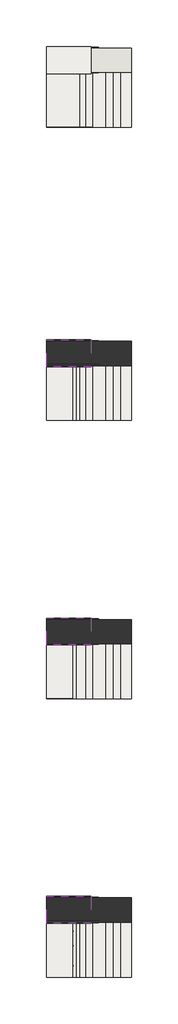
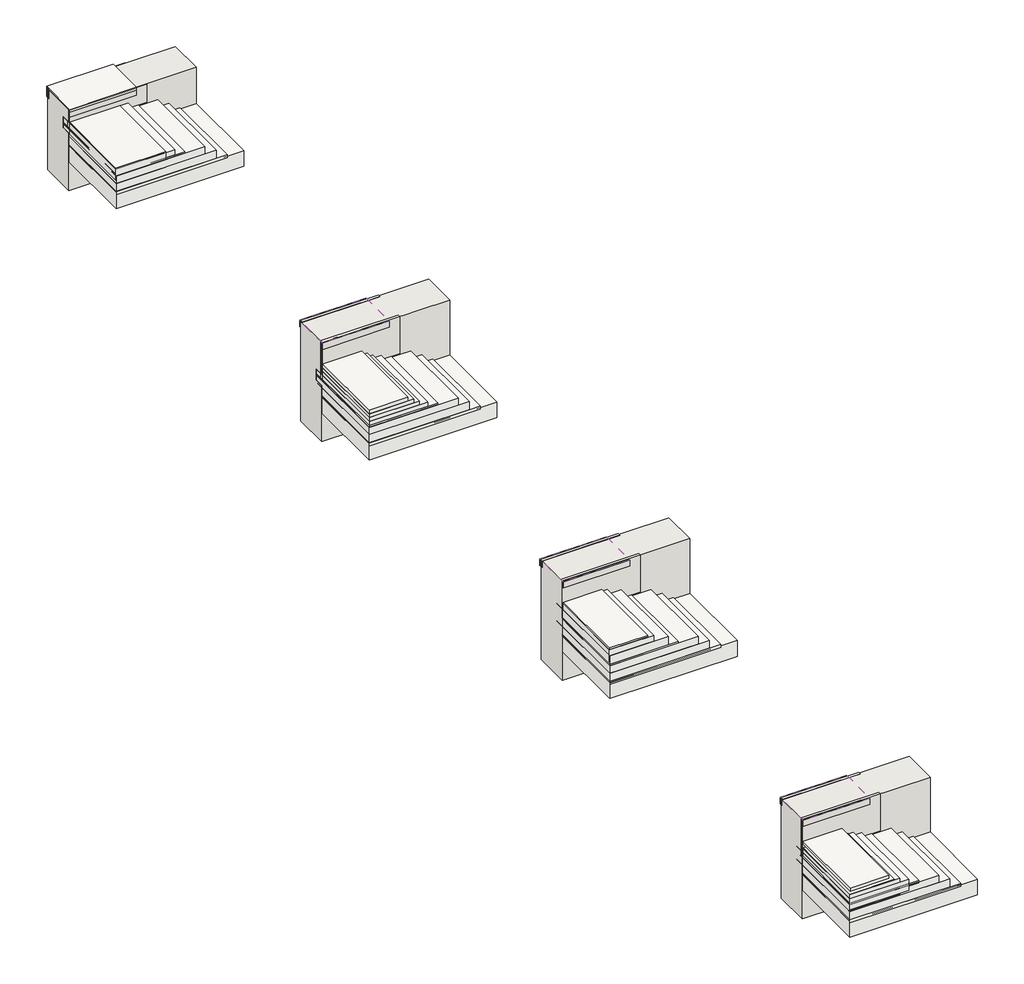
# One storey: 24 slabs, 20 walls, 13 coverings, 6 pipe segments.
"""IFC4 building model written with IfcOpenShell, lengths in millimetres."""

from ifc_helpers import new_model, si_unit, point, frame, frame_2d, origin, place, context, project, spatial, polyline, circle_curve, trimmed, segment, composite_curve, outline, extrude, faceted_brep, element, save

model = new_model("IFC4")

# Units and contexts
model_context = context("Model", 3, world=origin())
ifc_project = project(units=[si_unit("LENGTHUNIT", "METRE", prefix="MILLI")], contexts=[model_context])

# Site, building, storey
site = spatial("IfcSite", under=ifc_project)
building = spatial("IfcBuilding", under=site)
storey = spatial("IfcBuildingStorey", under=building, Elevation=0.0)

# Coverings
placement = place(None, origin())
element("IfcCovering", 1, at=placement, inside=storey, context=model_context, shape_type="SweptSolid", body=[
    extrude(outline(polyline([(-23182.5624154, 668.4541462), (-21182.5624154, 668.4541462), (-21182.5624154, -810.8477988), (-23182.5624154, -810.8477988), (-23182.5624154, 668.4541462)])), frame((0.0, 0.0, 179.3793099), z_axis=(0.0, 0.0, 1.0), x_axis=(1.0, 0.0, 0.0)), (0.0, 0.0, 1.0), 57.0),
])
element("IfcCovering", 2, at=placement, inside=storey, context=model_context, shape_type="SweptSolid", body=[
    extrude(outline(polyline([(-23182.5624154, 838.046695), (-21942.5624154, 838.046695), (-21942.5624154, -801.953305), (-23182.5624154, -801.953305), (-23182.5624154, 838.046695)])), frame((0.0, 0.0, 507.3951932), z_axis=(0.0, 0.0, 1.0), x_axis=(1.0, 0.0, 0.0)), (0.0, 0.0, 1.0), 52.0),
])
element("IfcCovering", 3, at=placement, inside=storey, context=model_context, shape_type="SweptSolid", body=[
    extrude(outline(polyline([(-23182.5624154, 1364.0290133), (-21982.5624154, 1364.0290133), (-21982.5624154, 636.787279), (-23182.5624154, 636.787279), (-23182.5624154, 1364.0290133)])), frame((0.0, 0.0, 870.0), z_axis=(0.0, 0.0, 1.0), x_axis=(1.0, 0.0, 0.0)), (0.0, 0.0, 1.0), 52.0),
])
element("IfcCovering", 4, at=placement, inside=storey, context=model_context, shape_type="SweptSolid", body=[
    extrude(outline(polyline([(-23182.5624154, -7231.5458538), (-21182.5624154, -7231.5458538), (-21182.5624154, -8710.8477988), (-23182.5624154, -8710.8477988), (-23182.5624154, -7231.5458538)])), frame((0.0, 0.0, 179.3793099), z_axis=(0.0, 0.0, 1.0), x_axis=(1.0, 0.0, 0.0)), (0.0, 0.0, 1.0), 57.0),
])
element("IfcCovering", 5, at=placement, inside=storey, context=model_context, shape_type="SweptSolid", body=[
    extrude(outline(polyline([(-23182.5624154, -7061.953305), (-21942.5624154, -7061.953305), (-21942.5624154, -8705.5927539), (-23182.5624154, -8705.5927539), (-23182.5624154, -7061.953305)])), frame((0.0, 0.0, 507.3951932), z_axis=(0.0, 0.0, 1.0), x_axis=(1.0, 0.0, 0.0)), (0.0, 0.0, 1.0), 52.0),
])
element("IfcCovering", 6, at=placement, inside=storey, context=model_context, shape_type="SweptSolid", body=[
    extrude(outline(polyline([(-23182.5624154, -6530.8983335), (-21982.5624154, -6530.8983335), (-21982.5624154, -7258.1400678), (-23182.5624154, -7258.1400678), (-23182.5624154, -6530.8983335)])), frame((0.0, 0.0, 1254.3055564), z_axis=(0.0, 0.0, 1.0), x_axis=(1.0, 0.0, 0.0)), (0.0, 0.0, 1.0), 52.0),
])
element("IfcCovering", 7, at=placement, inside=storey, context=model_context, shape_type="SweptSolid", body=[
    extrude(outline(polyline([(-23182.5624154, -14731.5458538), (-21182.5624154, -14731.5458538), (-21182.5624154, -16210.8477988), (-23182.5624154, -16210.8477988), (-23182.5624154, -14731.5458538)])), frame((0.0, 0.0, 179.3793099), z_axis=(0.0, 0.0, 1.0), x_axis=(1.0, 0.0, 0.0)), (0.0, 0.0, 1.0), 57.0),
])
element("IfcCovering", 8, at=placement, inside=storey, context=model_context, shape_type="SweptSolid", body=[
    extrude(outline(polyline([(-23182.5624154, -14561.953305), (-21942.5624154, -14561.953305), (-21942.5624154, -16208.7700458), (-23182.5624154, -16208.7700458), (-23182.5624154, -14561.953305)])), frame((0.0, 0.0, 507.3951932), z_axis=(0.0, 0.0, 1.0), x_axis=(1.0, 0.0, 0.0)), (0.0, 0.0, 1.0), 52.0),
])
element("IfcCovering", 9, at=placement, inside=storey, context=model_context, shape_type="SweptSolid", body=[
    extrude(outline(polyline([(-23182.5624154, -14033.7541097), (-21982.5624154, -14033.7541097), (-21982.5624154, -14760.9958441), (-23182.5624154, -14760.9958441), (-23182.5624154, -14033.7541097)])), frame((0.0, 0.0, 1254.3055564), z_axis=(0.0, 0.0, 1.0), x_axis=(1.0, 0.0, 0.0)), (0.0, 0.0, 1.0), 52.0),
])
element("IfcCovering", 10, at=placement, inside=storey, context=model_context, shape_type="SweptSolid", body=[
    extrude(outline(polyline([(-23182.5624154, -22231.5458538), (-21182.5624154, -22231.5458538), (-21182.5624154, -23710.8477988), (-23182.5624154, -23710.8477988), (-23182.5624154, -22231.5458538)])), frame((0.0, 0.0, 179.3793099), z_axis=(0.0, 0.0, 1.0), x_axis=(1.0, 0.0, 0.0)), (0.0, 0.0, 1.0), 57.0),
])
element("IfcCovering", 11, at=placement, inside=storey, context=model_context, shape_type="SweptSolid", body=[
    extrude(outline(polyline([(-23182.5624154, -22061.953305), (-21942.5624154, -22061.953305), (-21942.5624154, -23711.953305), (-23182.5624154, -23711.953305), (-23182.5624154, -22061.953305)])), frame((0.0, 0.0, 507.3951932), z_axis=(0.0, 0.0, 1.0), x_axis=(1.0, 0.0, 0.0)), (0.0, 0.0, 1.0), 52.0),
])
element("IfcCovering", 12, at=placement, inside=storey, context=model_context, shape_type="SweptSolid", body=[
    extrude(outline(polyline([(-23182.5624154, -22240.66973), (-22482.5624154, -22240.66973), (-22482.5624154, -23719.971675), (-23182.5624154, -23719.971675), (-23182.5624154, -22240.66973)])), frame((0.0, 0.0, 791.8317649), z_axis=(0.0, 0.0, 1.0), x_axis=(1.0, 0.0, 0.0)), (0.0, 0.0, 1.0), 52.0),
])
element("IfcCovering", 13, at=placement, inside=storey, context=model_context, shape_type="SweptSolid", body=[
    extrude(outline(polyline([(-23182.5624154, -21533.7541097), (-21982.5624154, -21533.7541097), (-21982.5624154, -22260.9958441), (-23182.5624154, -22260.9958441), (-23182.5624154, -21533.7541097)])), frame((0.0, 0.0, 1254.3055564), z_axis=(0.0, 0.0, 1.0), x_axis=(1.0, 0.0, 0.0)), (0.0, 0.0, 1.0), 52.0),
])

# Pipe segments
element("IfcPipeSegment", 14, at=placement, inside=storey, context=model_context, shape_type="SweptSolid", body=[
    extrude(outline(composite_curve([segment(trimmed(circle_curve(frame_2d((-22522.6890772, -23403.1916701)), 21.082), [point((-22543.7710772, -23403.1916701))], [point((-22522.6890772, -23382.1096701))], False, "CARTESIAN"), True, "CONTINUOUS"), segment(trimmed(circle_curve(frame_2d((-22522.6890772, -23403.1916701)), 21.082), [point((-22522.6890772, -23382.1096701))], [point((-22501.6070772, -23403.1916701))], False, "CARTESIAN"), True, "CONTINUOUS"), segment(trimmed(circle_curve(frame_2d((-22522.6890772, -23403.1916701)), 21.082), [point((-22501.6070772, -23403.1916701))], [point((-22522.6890772, -23424.2736701))], False, "CARTESIAN"), True, "CONTINUOUS"), segment(trimmed(circle_curve(frame_2d((-22522.6890772, -23403.1916701)), 21.082), [point((-22522.6890772, -23424.2736701))], [point((-22543.7710772, -23403.1916701))], False, "CARTESIAN"), True, "CONTINUOUS")], self_intersect=False)), frame((0.0, 0.0, 731.3853786), z_axis=(0.0, 0.0, 1.0), x_axis=(1.0, 0.0, 0.0)), (0.0, 0.0, 1.0), 55.0),
])
element("IfcPipeSegment", 15, at=placement, inside=storey, context=model_context, shape_type="SweptSolid", body=[
    extrude(outline(composite_curve([segment(trimmed(circle_curve(frame_2d((-22522.6890772, -23403.1916701)), 57.15), [point((-22579.8390772, -23403.1916701))], [point((-22522.6890772, -23346.0416701))], False, "CARTESIAN"), True, "CONTINUOUS"), segment(trimmed(circle_curve(frame_2d((-22522.6890772, -23403.1916701)), 57.15), [point((-22522.6890772, -23346.0416701))], [point((-22465.5390772, -23403.1916701))], False, "CARTESIAN"), True, "CONTINUOUS"), segment(trimmed(circle_curve(frame_2d((-22522.6890772, -23403.1916701)), 57.15), [point((-22465.5390772, -23403.1916701))], [point((-22522.6890772, -23460.3416701))], False, "CARTESIAN"), True, "CONTINUOUS"), segment(trimmed(circle_curve(frame_2d((-22522.6890772, -23403.1916701)), 57.15), [point((-22522.6890772, -23460.3416701))], [point((-22579.8390772, -23403.1916701))], False, "CARTESIAN"), True, "CONTINUOUS")], self_intersect=False)), frame((0.0, 0.0, 731.3853786), z_axis=(0.0, 0.0, 1.0), x_axis=(1.0, 0.0, 0.0)), (0.0, 0.0, 1.0), 20.0),
])
element("IfcPipeSegment", 16, at=placement, inside=storey, context=model_context, shape_type="SweptSolid", body=[
    extrude(outline(composite_curve([segment(trimmed(circle_curve(frame_2d((-22522.6890772, -22868.3408869)), 21.082), [point((-22543.7710772, -22868.3408869))], [point((-22522.6890772, -22847.2588869))], False, "CARTESIAN"), True, "CONTINUOUS"), segment(trimmed(circle_curve(frame_2d((-22522.6890772, -22868.3408869)), 21.082), [point((-22522.6890772, -22847.2588869))], [point((-22501.6070772, -22868.3408869))], False, "CARTESIAN"), True, "CONTINUOUS"), segment(trimmed(circle_curve(frame_2d((-22522.6890772, -22868.3408869)), 21.082), [point((-22501.6070772, -22868.3408869))], [point((-22522.6890772, -22889.4228869))], False, "CARTESIAN"), True, "CONTINUOUS"), segment(trimmed(circle_curve(frame_2d((-22522.6890772, -22868.3408869)), 21.082), [point((-22522.6890772, -22889.4228869))], [point((-22543.7710772, -22868.3408869))], False, "CARTESIAN"), True, "CONTINUOUS")], self_intersect=False)), frame((0.0, 0.0, 731.3853786), z_axis=(0.0, 0.0, 1.0), x_axis=(1.0, 0.0, 0.0)), (0.0, 0.0, 1.0), 55.0),
])
element("IfcPipeSegment", 17, at=placement, inside=storey, context=model_context, shape_type="SweptSolid", body=[
    extrude(outline(composite_curve([segment(trimmed(circle_curve(frame_2d((-22522.6890772, -22868.3408869)), 57.15), [point((-22579.8390772, -22868.3408869))], [point((-22522.6890772, -22811.1908869))], False, "CARTESIAN"), True, "CONTINUOUS"), segment(trimmed(circle_curve(frame_2d((-22522.6890772, -22868.3408869)), 57.15), [point((-22522.6890772, -22811.1908869))], [point((-22465.5390772, -22868.3408869))], False, "CARTESIAN"), True, "CONTINUOUS"), segment(trimmed(circle_curve(frame_2d((-22522.6890772, -22868.3408869)), 57.15), [point((-22465.5390772, -22868.3408869))], [point((-22522.6890772, -22925.4908869))], False, "CARTESIAN"), True, "CONTINUOUS"), segment(trimmed(circle_curve(frame_2d((-22522.6890772, -22868.3408869)), 57.15), [point((-22522.6890772, -22925.4908869))], [point((-22579.8390772, -22868.3408869))], False, "CARTESIAN"), True, "CONTINUOUS")], self_intersect=False)), frame((0.0, 0.0, 731.3853786), z_axis=(0.0, 0.0, 1.0), x_axis=(1.0, 0.0, 0.0)), (0.0, 0.0, 1.0), 20.0),
])
element("IfcPipeSegment", 18, at=placement, inside=storey, context=model_context, shape_type="SweptSolid", body=[
    extrude(outline(composite_curve([segment(trimmed(circle_curve(frame_2d((-22522.6890772, -22480.5314831)), 21.082), [point((-22543.7710772, -22480.5314831))], [point((-22522.6890772, -22459.4494831))], False, "CARTESIAN"), True, "CONTINUOUS"), segment(trimmed(circle_curve(frame_2d((-22522.6890772, -22480.5314831)), 21.082), [point((-22522.6890772, -22459.4494831))], [point((-22501.6070772, -22480.5314831))], False, "CARTESIAN"), True, "CONTINUOUS"), segment(trimmed(circle_curve(frame_2d((-22522.6890772, -22480.5314831)), 21.082), [point((-22501.6070772, -22480.5314831))], [point((-22522.6890772, -22501.6134831))], False, "CARTESIAN"), True, "CONTINUOUS"), segment(trimmed(circle_curve(frame_2d((-22522.6890772, -22480.5314831)), 21.082), [point((-22522.6890772, -22501.6134831))], [point((-22543.7710772, -22480.5314831))], False, "CARTESIAN"), True, "CONTINUOUS")], self_intersect=False)), frame((0.0, 0.0, 731.3853786), z_axis=(0.0, 0.0, 1.0), x_axis=(1.0, 0.0, 0.0)), (0.0, 0.0, 1.0), 55.0),
])
element("IfcPipeSegment", 19, at=placement, inside=storey, context=model_context, shape_type="SweptSolid", body=[
    extrude(outline(composite_curve([segment(trimmed(circle_curve(frame_2d((-22522.6890772, -22480.5314831)), 57.15), [point((-22579.8390772, -22480.5314831))], [point((-22522.6890772, -22423.3814831))], False, "CARTESIAN"), True, "CONTINUOUS"), segment(trimmed(circle_curve(frame_2d((-22522.6890772, -22480.5314831)), 57.15), [point((-22522.6890772, -22423.3814831))], [point((-22465.5390772, -22480.5314831))], False, "CARTESIAN"), True, "CONTINUOUS"), segment(trimmed(circle_curve(frame_2d((-22522.6890772, -22480.5314831)), 57.15), [point((-22465.5390772, -22480.5314831))], [point((-22522.6890772, -22537.6814831))], False, "CARTESIAN"), True, "CONTINUOUS"), segment(trimmed(circle_curve(frame_2d((-22522.6890772, -22480.5314831)), 57.15), [point((-22522.6890772, -22537.6814831))], [point((-22579.8390772, -22480.5314831))], False, "CARTESIAN"), True, "CONTINUOUS")], self_intersect=False)), frame((0.0, 0.0, 731.3853786), z_axis=(0.0, 0.0, 1.0), x_axis=(1.0, 0.0, 0.0)), (0.0, 0.0, 1.0), 20.0),
])

# Slabs
element("IfcSlab", 20, at=placement, inside=storey, context=model_context, shape_type="SweptSolid", body=[
    extrude(outline(polyline([(-23182.5624154, 669.0290133), (-20882.5624154, 669.0290133), (-20882.5624154, -810.2729317), (-23182.5624154, -810.2729317), (-23182.5624154, 669.0290133)])), frame((0.0, 0.0, -90.0), z_axis=(0.0, 0.0, 1.0), x_axis=(1.0, 0.0, 0.0)), (0.0, 0.0, 1.0), 300.0),
])
element("IfcSlab", 21, at=placement, inside=storey, context=model_context, shape_type="SweptSolid", body=[
    extrude(outline(polyline([(-23182.5624154, 840.0924128), (-21382.5624154, 840.0924128), (-21382.5624154, -810.8477988), (-23182.5624154, -810.8477988), (-23182.5624154, 840.0924128)])), frame((0.0, 0.0, 240.0), z_axis=(0.0, 0.0, 1.0), x_axis=(1.0, 0.0, 0.0)), (0.0, 0.0, 1.0), 150.0),
])
element("IfcSlab", 22, at=placement, inside=storey, context=model_context, shape_type="SweptSolid", body=[
    extrude(outline(polyline([(-23182.5624154, 840.3544261), (-21582.5624154, 840.3544261), (-21582.5624154, -810.5857855), (-23182.5624154, -810.5857855), (-23182.5624154, 840.3544261)])), frame((0.0, 0.0, 380.0), z_axis=(0.0, 0.0, 1.0), x_axis=(1.0, 0.0, 0.0)), (0.0, 0.0, 1.0), 150.0),
])
element("IfcSlab", 23, at=placement, inside=storey, context=model_context, shape_type="Brep", body=[
    faceted_brep([(-23182.5624154, 840.3544261, 450.0), (-22122.5624154, 840.3544261, 450.0), (-22122.5624154, 669.0290133, 450.0), (-22122.5624154, -801.953305, 450.0), (-23182.5624154, -801.953305, 450.0), (-23182.5624154, 669.0290133, 450.0), (-23182.5624154, 840.3544261, 660.0), (-23182.5624154, 669.0290133, 660.0), (-23182.5624154, -801.953305, 660.0), (-22122.5624154, -801.953305, 660.0), (-22122.5624154, 669.0290133, 660.0), (-22122.5624154, 840.3544261, 660.0)], [[[0, 1, 2, 3, 4, 5]], [[6, 7, 8, 9, 10, 11]], [[1, 0, 6, 11]], [[3, 2, 1, 11, 10, 9]], [[4, 3, 9, 8]], [[0, 5, 4, 8, 7, 6]]]),
])
element("IfcSlab", 24, at=placement, inside=storey, context=model_context, shape_type="SweptSolid", body=[
    extrude(outline(polyline([(-23182.5624154, 636.787279), (-22282.5624154, 636.787279), (-22282.5624154, -801.953305), (-23182.5624154, -801.953305), (-23182.5624154, 636.787279)])), frame((0.0, 0.0, 450.0), z_axis=(0.0, 0.0, 1.0), x_axis=(1.0, 0.0, 0.0)), (0.0, 0.0, 1.0), 225.0),
])
element("IfcSlab", 25, at=placement, inside=storey, context=model_context, shape_type="SweptSolid", body=[
    extrude(outline(polyline([(-23182.5624154, -7230.9709867), (-20882.5624154, -7230.9709867), (-20882.5624154, -8710.2729317), (-23182.5624154, -8710.2729317), (-23182.5624154, -7230.9709867)])), frame((0.0, 0.0, -90.0), z_axis=(0.0, 0.0, 1.0), x_axis=(1.0, 0.0, 0.0)), (0.0, 0.0, 1.0), 300.0),
])
element("IfcSlab", 26, at=placement, inside=storey, context=model_context, shape_type="SweptSolid", body=[
    extrude(outline(polyline([(-23182.5624154, -7059.9075872), (-21382.5624154, -7059.9075872), (-21382.5624154, -8710.8477988), (-23182.5624154, -8710.8477988), (-23182.5624154, -7059.9075872)])), frame((0.0, 0.0, 240.0), z_axis=(0.0, 0.0, 1.0), x_axis=(1.0, 0.0, 0.0)), (0.0, 0.0, 1.0), 150.0),
])
element("IfcSlab", 27, at=placement, inside=storey, context=model_context, shape_type="SweptSolid", body=[
    extrude(outline(polyline([(-23182.5624154, -7059.6455739), (-21582.5624154, -7059.6455739), (-21582.5624154, -8710.5857855), (-23182.5624154, -8710.5857855), (-23182.5624154, -7059.6455739)])), frame((0.0, 0.0, 380.0), z_axis=(0.0, 0.0, 1.0), x_axis=(1.0, 0.0, 0.0)), (0.0, 0.0, 1.0), 150.0),
])
element("IfcSlab", 28, at=placement, inside=storey, context=model_context, shape_type="Brep", body=[
    faceted_brep([(-23182.5624154, -7059.6455739, 430.0), (-22122.5624154, -7059.6455739, 430.0), (-22122.5624154, -7230.9709867, 430.0), (-22122.5624154, -8705.5927539, 430.0), (-23182.5624154, -8705.5927539, 430.0), (-23182.5624154, -7230.9709867, 430.0), (-23182.5624154, -7059.6455739, 640.0), (-23182.5624154, -7230.9709867, 640.0), (-23182.5624154, -8705.5927539, 640.0), (-22122.5624154, -8705.5927539, 640.0), (-22122.5624154, -7230.9709867, 640.0), (-22122.5624154, -7059.6455739, 640.0)], [[[0, 1, 2, 3, 4, 5]], [[6, 7, 8, 9, 10, 11]], [[1, 0, 6, 11]], [[3, 2, 1, 11, 10, 9]], [[4, 3, 9, 8]], [[0, 5, 4, 8, 7, 6]]]),
])
element("IfcSlab", 29, at=placement, inside=storey, context=model_context, shape_type="SweptSolid", body=[
    extrude(outline(polyline([(-23182.5624154, -7263.212721), (-22282.5624154, -7263.212721), (-22282.5624154, -8705.5927539), (-23182.5624154, -8705.5927539), (-23182.5624154, -7263.212721)])), frame((0.0, 0.0, 413.8060402), z_axis=(0.0, 0.0, 1.0), x_axis=(1.0, 0.0, 0.0)), (0.0, 0.0, 1.0), 300.0),
])
element("IfcSlab", 30, at=placement, inside=storey, context=model_context, shape_type="SweptSolid", body=[
    extrude(outline(polyline([(-23182.5624154, -7263.5707627), (-22382.5624154, -7263.5707627), (-22382.5624154, -8705.5927539), (-23182.5624154, -8705.5927539), (-23182.5624154, -7263.5707627)])), frame((0.0, 0.0, 560.0), z_axis=(0.0, 0.0, 1.0), x_axis=(1.0, 0.0, 0.0)), (0.0, 0.0, 1.0), 225.0),
])
element("IfcSlab", 31, at=placement, inside=storey, context=model_context, shape_type="SweptSolid", body=[
    extrude(outline(polyline([(-23182.5624154, -7261.6262456), (-22482.5624154, -7261.6262456), (-22482.5624154, -8705.5927539), (-23182.5624154, -8705.5927539), (-23182.5624154, -7261.6262456)])), frame((0.0, 0.0, 500.0), z_axis=(0.0, 0.0, 1.0), x_axis=(1.0, 0.0, 0.0)), (0.0, 0.0, 1.0), 362.0),
])
element("IfcSlab", 32, at=placement, inside=storey, context=model_context, shape_type="SweptSolid", body=[
    extrude(outline(polyline([(-23182.5624154, -14730.9709867), (-20882.5624154, -14730.9709867), (-20882.5624154, -16210.2729317), (-23182.5624154, -16210.2729317), (-23182.5624154, -14730.9709867)])), frame((0.0, 0.0, -90.0), z_axis=(0.0, 0.0, 1.0), x_axis=(1.0, 0.0, 0.0)), (0.0, 0.0, 1.0), 300.0),
])
element("IfcSlab", 33, at=placement, inside=storey, context=model_context, shape_type="SweptSolid", body=[
    extrude(outline(polyline([(-23182.5624154, -14559.9075872), (-21382.5624154, -14559.9075872), (-21382.5624154, -16210.8477988), (-23182.5624154, -16210.8477988), (-23182.5624154, -14559.9075872)])), frame((0.0, 0.0, 240.0), z_axis=(0.0, 0.0, 1.0), x_axis=(1.0, 0.0, 0.0)), (0.0, 0.0, 1.0), 150.0),
])
element("IfcSlab", 34, at=placement, inside=storey, context=model_context, shape_type="SweptSolid", body=[
    extrude(outline(polyline([(-23182.5624154, -14559.6455739), (-21582.5624154, -14559.6455739), (-21582.5624154, -16210.5857855), (-23182.5624154, -16210.5857855), (-23182.5624154, -14559.6455739)])), frame((0.0, 0.0, 380.0), z_axis=(0.0, 0.0, 1.0), x_axis=(1.0, 0.0, 0.0)), (0.0, 0.0, 1.0), 150.0),
])
element("IfcSlab", 35, at=placement, inside=storey, context=model_context, shape_type="SweptSolid", body=[
    extrude(outline(polyline([(-23182.5624154, -14559.6455739), (-22122.5624154, -14559.6455739), (-22122.5624154, -16208.7700458), (-23182.5624154, -16208.7700458), (-23182.5624154, -14559.6455739)])), frame((0.0, 0.0, 512.4574857), z_axis=(0.0, 0.0, 1.0), x_axis=(1.0, 0.0, 0.0)), (0.0, 0.0, 1.0), 210.0),
])
element("IfcSlab", 36, at=placement, inside=storey, context=model_context, shape_type="SweptSolid", body=[
    extrude(outline(polyline([(-23182.5624154, -14759.7109913), (-22382.5624154, -14759.7109913), (-22382.5624154, -16207.6374119), (-23182.5624154, -16207.6374119), (-23182.5624154, -14759.7109913)])), frame((0.0, 0.0, 606.3172572), z_axis=(0.0, 0.0, 1.0), x_axis=(1.0, 0.0, 0.0)), (0.0, 0.0, 1.0), 225.0),
])
element("IfcSlab", 37, at=placement, inside=storey, context=model_context, shape_type="SweptSolid", body=[
    extrude(outline(polyline([(-23182.5624154, -14761.6262456), (-22482.5624154, -14761.6262456), (-22482.5624154, -16196.6262456), (-23182.5624154, -16196.6262456), (-23182.5624154, -14761.6262456)])), frame((0.0, 0.0, 500.0), z_axis=(0.0, 0.0, 1.0), x_axis=(1.0, 0.0, 0.0)), (0.0, 0.0, 1.0), 362.0),
])
element("IfcSlab", 38, at=placement, inside=storey, context=model_context, shape_type="SweptSolid", body=[
    extrude(outline(polyline([(-23182.5624154, -22230.9709867), (-20882.5624154, -22230.9709867), (-20882.5624154, -23710.2729317), (-23182.5624154, -23710.2729317), (-23182.5624154, -22230.9709867)])), frame((0.0, 0.0, -90.0), z_axis=(0.0, 0.0, 1.0), x_axis=(1.0, 0.0, 0.0)), (0.0, 0.0, 1.0), 300.0),
])
element("IfcSlab", 39, at=placement, inside=storey, context=model_context, shape_type="SweptSolid", body=[
    extrude(outline(polyline([(-23182.5624154, -22059.9075872), (-21382.5624154, -22059.9075872), (-21382.5624154, -23710.8477988), (-23182.5624154, -23710.8477988), (-23182.5624154, -22059.9075872)])), frame((0.0, 0.0, 240.0), z_axis=(0.0, 0.0, 1.0), x_axis=(1.0, 0.0, 0.0)), (0.0, 0.0, 1.0), 150.0),
])
element("IfcSlab", 40, at=placement, inside=storey, context=model_context, shape_type="SweptSolid", body=[
    extrude(outline(polyline([(-23182.5624154, -22059.6455739), (-21582.5624154, -22059.6455739), (-21582.5624154, -23710.5857855), (-23182.5624154, -23710.5857855), (-23182.5624154, -22059.6455739)])), frame((0.0, 0.0, 380.0), z_axis=(0.0, 0.0, 1.0), x_axis=(1.0, 0.0, 0.0)), (0.0, 0.0, 1.0), 150.0),
])
element("IfcSlab", 41, at=placement, inside=storey, context=model_context, shape_type="SweptSolid", body=[
    extrude(outline(polyline([(-23182.5624154, -22059.6455739), (-22122.5624154, -22059.6455739), (-22122.5624154, -23713.526454), (-23182.5624154, -23713.526454), (-23182.5624154, -22059.6455739)])), frame((0.0, 0.0, 430.0), z_axis=(0.0, 0.0, 1.0), x_axis=(1.0, 0.0, 0.0)), (0.0, 0.0, 1.0), 210.0),
])
element("IfcSlab", 42, at=placement, inside=storey, context=model_context, shape_type="SweptSolid", body=[
    extrude(outline(polyline([(-23182.5624154, -22263.212721), (-22282.5624154, -22263.212721), (-22282.5624154, -23711.1391417), (-23182.5624154, -23711.1391417), (-23182.5624154, -22263.212721)])), frame((0.0, 0.0, 413.8060402), z_axis=(0.0, 0.0, 1.0), x_axis=(1.0, 0.0, 0.0)), (0.0, 0.0, 1.0), 300.0),
])
element("IfcSlab", 43, at=placement, inside=storey, context=model_context, shape_type="SweptSolid", body=[
    extrude(outline(polyline([(-23182.5624154, -22261.9118761), (-22382.5624154, -22261.9118761), (-22382.5624154, -23709.8382967), (-23182.5624154, -23709.8382967), (-23182.5624154, -22261.9118761)])), frame((0.0, 0.0, 503.5978561), z_axis=(0.0, 0.0, 1.0), x_axis=(1.0, 0.0, 0.0)), (0.0, 0.0, 1.0), 225.0),
])

# Walls
element("IfcWall", 44, at=placement, inside=storey, context=model_context, shape_type="Brep", body=[
    faceted_brep([(-20882.5624154, 1324.0290133, -640.6206901), (-23182.5624154, 1324.0290133, -640.6206901), (-23182.5624154, 1324.0290133, 900.0), (-20882.5624154, 1324.0290133, 900.0), (-23182.5624154, 669.0290133, -640.6206901), (-20882.5624154, 669.0290133, -640.6206901), (-20882.5624154, 669.0290133, -90.0), (-20882.5624154, 669.0290133, 210.0), (-20882.5624154, 669.0290133, 900.0), (-23182.5624154, 669.0290133, 900.0), (-23182.5624154, 669.0290133, 660.0), (-22122.5624154, 669.0290133, 660.0), (-22122.5624154, 669.0290133, 450.0), (-23182.5624154, 669.0290133, 450.0), (-23182.5624154, 669.0290133, 210.0), (-23182.5624154, 669.0290133, -90.0), (-23182.5624154, 840.3544261, 450.0), (-23182.5624154, 840.3544261, 660.0), (-22122.5624154, 840.3544261, 450.0), (-22122.5624154, 840.3544261, 660.0)], [[[0, 1, 2, 3]], [[4, 5, 6, 7, 8, 9, 10, 11, 12, 13, 14, 15]], [[1, 0, 5, 4]], [[2, 1, 4, 15, 14, 13, 16, 17, 10, 9]], [[3, 2, 9, 8]], [[0, 3, 8, 7, 6, 5]], [[18, 16, 13, 12]], [[17, 19, 11, 10]], [[16, 18, 19, 17]], [[19, 18, 12, 11]]]),
])
element("IfcWall", 45, at=placement, inside=storey, context=model_context, shape_type="SweptSolid", body=[
    extrude(outline(polyline([(-23182.5624154, 1339.0290133), (-21782.5624154, 1339.0290133), (-21782.5624154, 1289.0290133), (-23182.5624154, 1289.0290133), (-23182.5624154, 1339.0290133)])), frame((0.0, 0.0, 734.3055564), z_axis=(0.0, 0.0, 1.0), x_axis=(1.0, 0.0, 0.0)), (0.0, 0.0, 1.0), 165.6944436),
])
element("IfcWall", 46, at=placement, inside=storey, context=model_context, shape_type="SweptSolid", body=[
    extrude(outline(polyline([(-23182.5624154, 709.0290133), (-21782.5624154, 709.0290133), (-21782.5624154, 659.0290133), (-23182.5624154, 659.0290133), (-23182.5624154, 709.0290133)])), frame((0.0, 0.0, 556.4497982), z_axis=(0.0, 0.0, 1.0), x_axis=(1.0, 0.0, 0.0)), (0.0, 0.0, 1.0), 343.5502018),
])
element("IfcWall", 47, at=placement, inside=storey, context=model_context, shape_type="SweptSolid", body=[
    extrude(outline(polyline([(-23182.5624154, 1364.0290133), (-21982.5624154, 1364.0290133), (-21982.5624154, 1314.0290133), (-23182.5624154, 1314.0290133), (-23182.5624154, 1364.0290133)])), frame((0.0, 0.0, 734.3055564), z_axis=(0.0, 0.0, 1.0), x_axis=(1.0, 0.0, 0.0)), (0.0, 0.0, 1.0), 175.6944436),
])
element("IfcWall", 48, at=placement, inside=storey, context=model_context, shape_type="SweptSolid", body=[
    extrude(outline(polyline([(-23182.5624154, 689.0041559), (-21982.5624154, 689.0041559), (-21982.5624154, 639.0041559), (-23182.5624154, 639.0041559), (-23182.5624154, 689.0041559)])), frame((0.0, 0.0, 773.8060402), z_axis=(0.0, 0.0, 1.0), x_axis=(1.0, 0.0, 0.0)), (0.0, 0.0, 1.0), 136.1939598),
])
element("IfcWall", 49, at=placement, inside=storey, context=model_context, shape_type="Brep", body=[
    faceted_brep([(-20882.5624154, -6575.9709867, -640.6206901), (-23182.5624154, -6575.9709867, -640.6206901), (-23182.5624154, -6575.9709867, 1254.3055564), (-20882.5624154, -6575.9709867, 1254.3055564), (-23182.5624154, -7230.9709867, -640.6206901), (-20882.5624154, -7230.9709867, -640.6206901), (-20882.5624154, -7230.9709867, -90.0), (-20882.5624154, -7230.9709867, 210.0), (-20882.5624154, -7230.9709867, 1254.3055564), (-23182.5624154, -7230.9709867, 1254.3055564), (-23182.5624154, -7230.9709867, 640.0), (-22122.5624154, -7230.9709867, 640.0), (-22122.5624154, -7230.9709867, 430.0), (-23182.5624154, -7230.9709867, 430.0), (-23182.5624154, -7230.9709867, 210.0), (-23182.5624154, -7230.9709867, -90.0), (-23182.5624154, -7059.6455739, 430.0), (-23182.5624154, -7059.6455739, 640.0), (-22122.5624154, -7059.6455739, 430.0), (-22122.5624154, -7059.6455739, 640.0)], [[[0, 1, 2, 3]], [[4, 5, 6, 7, 8, 9, 10, 11, 12, 13, 14, 15]], [[1, 0, 5, 4]], [[2, 1, 4, 15, 14, 13, 16, 17, 10, 9]], [[3, 2, 9, 8]], [[0, 3, 8, 7, 6, 5]], [[18, 16, 13, 12]], [[17, 19, 11, 10]], [[16, 18, 19, 17]], [[19, 18, 12, 11]]]),
])
element("IfcWall", 50, at=placement, inside=storey, context=model_context, shape_type="SweptSolid", body=[
    extrude(outline(polyline([(-23182.5624154, -6560.9709867), (-21782.5624154, -6560.9709867), (-21782.5624154, -6610.9709867), (-23182.5624154, -6610.9709867), (-23182.5624154, -6560.9709867)])), frame((0.0, 0.0, 1135.1358729), z_axis=(0.0, 0.0, 1.0), x_axis=(1.0, 0.0, 0.0)), (0.0, 0.0, 1.0), 124.390275),
])
element("IfcWall", 51, at=placement, inside=storey, context=model_context, shape_type="SweptSolid", body=[
    extrude(outline(polyline([(-23182.5624154, -7190.9709867), (-21782.5624154, -7190.9709867), (-21782.5624154, -7240.9709867), (-23182.5624154, -7240.9709867), (-23182.5624154, -7190.9709867)])), frame((0.0, 0.0, 556.4497982), z_axis=(0.0, 0.0, 1.0), x_axis=(1.0, 0.0, 0.0)), (0.0, 0.0, 1.0), 703.5502018),
])
element("IfcWall", 52, at=placement, inside=storey, context=model_context, shape_type="SweptSolid", body=[
    extrude(outline(polyline([(-23182.5624154, -6535.9709867), (-21982.5624154, -6535.9709867), (-21982.5624154, -6585.9709867), (-23182.5624154, -6585.9709867), (-23182.5624154, -6535.9709867)])), frame((0.0, 0.0, 1131.3607465), z_axis=(0.0, 0.0, 1.0), x_axis=(1.0, 0.0, 0.0)), (0.0, 0.0, 1.0), 122.9448099),
])
element("IfcWall", 53, at=placement, inside=storey, context=model_context, shape_type="SweptSolid", body=[
    extrude(outline(polyline([(-23182.5624154, -7210.9958441), (-21982.5624154, -7210.9958441), (-21982.5624154, -7260.9958441), (-23182.5624154, -7260.9958441), (-23182.5624154, -7210.9958441)])), frame((0.0, 0.0, 1138.8977316), z_axis=(0.0, 0.0, 1.0), x_axis=(1.0, 0.0, 0.0)), (0.0, 0.0, 1.0), 115.4078248),
])
element("IfcWall", 54, at=placement, inside=storey, context=model_context, shape_type="Brep", body=[
    faceted_brep([(-20882.5624154, -14075.9709867, -640.6206901), (-23182.5624154, -14075.9709867, -640.6206901), (-23182.5624154, -14075.9709867, 1254.3055564), (-20882.5624154, -14075.9709867, 1254.3055564), (-20882.5624154, -14730.9709867, -640.6206901), (-20882.5624154, -14730.9709867, -90.0), (-20882.5624154, -14730.9709867, 210.0), (-20882.5624154, -14730.9709867, 1254.3055564), (-23182.5624154, -14730.9709867, 1254.3055564), (-23182.5624154, -14730.9709867, 210.0), (-23182.5624154, -14730.9709867, -90.0), (-23182.5624154, -14730.9709867, -640.6206901)], [[[0, 1, 2, 3]], [[4, 5, 6, 7, 8, 9, 10, 11]], [[1, 0, 4, 11]], [[2, 1, 11, 10, 9, 8]], [[3, 2, 8, 7]], [[0, 3, 7, 6, 5, 4]]]),
])
element("IfcWall", 55, at=placement, inside=storey, context=model_context, shape_type="SweptSolid", body=[
    extrude(outline(polyline([(-23182.5624154, -14060.9709867), (-21782.5624154, -14060.9709867), (-21782.5624154, -14110.9709867), (-23182.5624154, -14110.9709867), (-23182.5624154, -14060.9709867)])), frame((0.0, 0.0, 1135.1358729), z_axis=(0.0, 0.0, 1.0), x_axis=(1.0, 0.0, 0.0)), (0.0, 0.0, 1.0), 124.390275),
])
element("IfcWall", 56, at=placement, inside=storey, context=model_context, shape_type="SweptSolid", body=[
    extrude(outline(polyline([(-23182.5624154, -14690.9709867), (-21782.5624154, -14690.9709867), (-21782.5624154, -14740.9709867), (-23182.5624154, -14740.9709867), (-23182.5624154, -14690.9709867)])), frame((0.0, 0.0, 556.4497982), z_axis=(0.0, 0.0, 1.0), x_axis=(1.0, 0.0, 0.0)), (0.0, 0.0, 1.0), 703.5502018),
])
element("IfcWall", 57, at=placement, inside=storey, context=model_context, shape_type="SweptSolid", body=[
    extrude(outline(polyline([(-23182.5624154, -14035.9709867), (-21982.5624154, -14035.9709867), (-21982.5624154, -14085.9709867), (-23182.5624154, -14085.9709867), (-23182.5624154, -14035.9709867)])), frame((0.0, 0.0, 1131.3607465), z_axis=(0.0, 0.0, 1.0), x_axis=(1.0, 0.0, 0.0)), (0.0, 0.0, 1.0), 122.9448099),
])
element("IfcWall", 58, at=placement, inside=storey, context=model_context, shape_type="SweptSolid", body=[
    extrude(outline(polyline([(-23182.5624154, -14710.9958441), (-21982.5624154, -14710.9958441), (-21982.5624154, -14760.9958441), (-23182.5624154, -14760.9958441), (-23182.5624154, -14710.9958441)])), frame((0.0, 0.0, 1138.8977316), z_axis=(0.0, 0.0, 1.0), x_axis=(1.0, 0.0, 0.0)), (0.0, 0.0, 1.0), 115.4078248),
])
element("IfcWall", 59, at=placement, inside=storey, context=model_context, shape_type="Brep", body=[
    faceted_brep([(-20882.5624154, -21575.9709867, -640.6206901), (-23182.5624154, -21575.9709867, -640.6206901), (-23182.5624154, -21575.9709867, 1254.3055564), (-20882.5624154, -21575.9709867, 1254.3055564), (-20882.5624154, -22230.9709867, -640.6206901), (-20882.5624154, -22230.9709867, -90.0), (-20882.5624154, -22230.9709867, 210.0), (-20882.5624154, -22230.9709867, 1254.3055564), (-23182.5624154, -22230.9709867, 1254.3055564), (-23182.5624154, -22230.9709867, 210.0), (-23182.5624154, -22230.9709867, -90.0), (-23182.5624154, -22230.9709867, -640.6206901)], [[[0, 1, 2, 3]], [[4, 5, 6, 7, 8, 9, 10, 11]], [[1, 0, 4, 11]], [[2, 1, 11, 10, 9, 8]], [[3, 2, 8, 7]], [[0, 3, 7, 6, 5, 4]]]),
])
element("IfcWall", 60, at=placement, inside=storey, context=model_context, shape_type="SweptSolid", body=[
    extrude(outline(polyline([(-23182.5624154, -21560.9709867), (-21782.5624154, -21560.9709867), (-21782.5624154, -21610.9709867), (-23182.5624154, -21610.9709867), (-23182.5624154, -21560.9709867)])), frame((0.0, 0.0, 1135.1358729), z_axis=(0.0, 0.0, 1.0), x_axis=(1.0, 0.0, 0.0)), (0.0, 0.0, 1.0), 124.390275),
])
element("IfcWall", 61, at=placement, inside=storey, context=model_context, shape_type="SweptSolid", body=[
    extrude(outline(polyline([(-23182.5624154, -22190.9709867), (-21782.5624154, -22190.9709867), (-21782.5624154, -22240.9709867), (-23182.5624154, -22240.9709867), (-23182.5624154, -22190.9709867)])), frame((0.0, 0.0, 556.4497982), z_axis=(0.0, 0.0, 1.0), x_axis=(1.0, 0.0, 0.0)), (0.0, 0.0, 1.0), 703.5502018),
])
element("IfcWall", 62, at=placement, inside=storey, context=model_context, shape_type="SweptSolid", body=[
    extrude(outline(polyline([(-23182.5624154, -21535.9709867), (-21982.5624154, -21535.9709867), (-21982.5624154, -21585.9709867), (-23182.5624154, -21585.9709867), (-23182.5624154, -21535.9709867)])), frame((0.0, 0.0, 1131.3607465), z_axis=(0.0, 0.0, 1.0), x_axis=(1.0, 0.0, 0.0)), (0.0, 0.0, 1.0), 122.9448099),
])
element("IfcWall", 63, at=placement, inside=storey, context=model_context, shape_type="SweptSolid", body=[
    extrude(outline(polyline([(-23182.5624154, -22210.9958441), (-21982.5624154, -22210.9958441), (-21982.5624154, -22260.9958441), (-23182.5624154, -22260.9958441), (-23182.5624154, -22210.9958441)])), frame((0.0, 0.0, 1138.8977316), z_axis=(0.0, 0.0, 1.0), x_axis=(1.0, 0.0, 0.0)), (0.0, 0.0, 1.0), 115.4078248),
])

save(model, "model.ifc")
